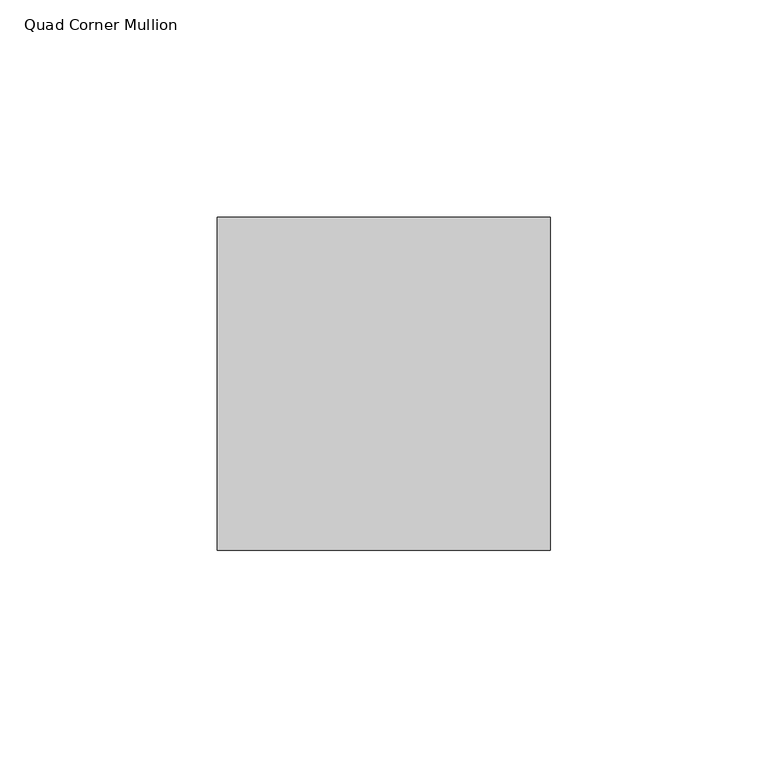
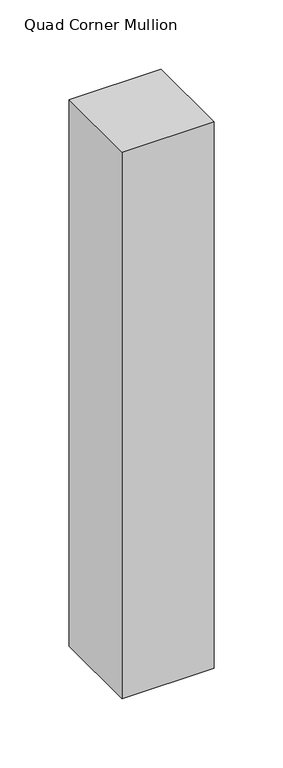
"""IFC4 building model written with IfcOpenShell, lengths in millimetres: member geometry, Quad Corner Mullion."""

from ifc_helpers import new_model, si_unit, frame, origin, place, context, project, spatial, polyline, outline, extrude, source, transform, mapped, element, save


def quad_corner_mullion_c9f87580(model_context):
    return source(origin(), model_context, "Body", "SweptSolid", [
        extrude(outline(polyline([(38.1496094, -38.5464844), (-38.5464844, -38.5464844), (-38.5464844, 38.1496094), (38.1496094, 38.1496094), (38.1496094, -38.5464844)])), frame((0.0, 0.0, -482.1103332), z_axis=(0.0, 0.0, 1.0), x_axis=(1.0, 0.0, 0.0)), (0.0, 0.0, 1.0), 482.1103332),
    ])


if __name__ == "__main__":
    model = new_model("IFC4")
    model_context = context("Model", 3, world=origin())
    ifc_project = project(units=[si_unit("LENGTHUNIT", "METRE", prefix="MILLI")], contexts=[model_context])
    site = spatial("IfcSite", under=ifc_project)
    building = spatial("IfcBuilding", under=site)
    placement = place(None, origin())
    quad_corner_mullion_shape = quad_corner_mullion_c9f87580(model_context)
    element("IfcMember", 1, ObjectType="Quad Corner Mullion", at=placement, inside=building, context=model_context, shape_type="MappedRepresentation", body=[
        mapped(quad_corner_mullion_shape, transform((0.0, 0.0, 0.0), x_axis=(1.0, 0.0, 0.0), y_axis=(0.0, 1.0, 0.0), z_axis=(0.0, 0.0, 1.0))),
    ])
    save(model, "model.ifc")
